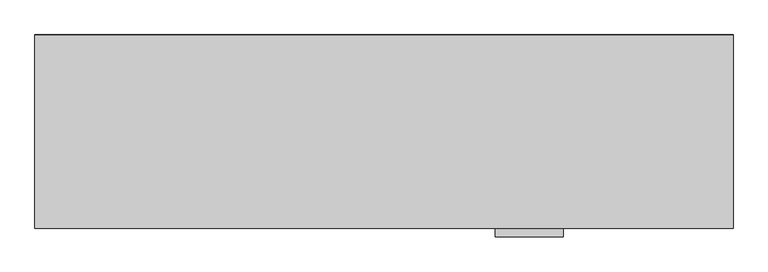
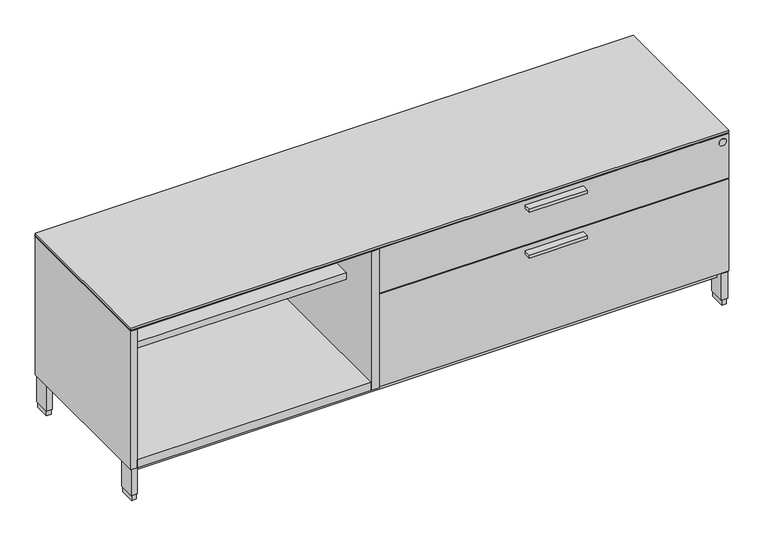
"""IFC4 building model written with IfcOpenShell, lengths in millimetres: furniture geometry."""

import ifcopenshell
import ifcopenshell.guid

model = None  # the IFC model being written
_history = None  # IfcOwnerHistory: only IFC2X3 demands one
_inside = {}  # id of a spatial element -> (the spatial element, [elements in it])
_under = {}  # id of a project, library or spatial element -> (it, [spatial elements below it])
_declared = {}  # id of a project -> (the project, [libraries it declares])
_typed = {}  # id of a type object -> (the type object, [elements of that type])
_made_of = {}  # id of a material, layer set ... -> (it, [elements and type objects made of it])


def new_model(schema):
    """Start an empty IFC model of exactly this schema.

    Asked for "IFC4X3", IfcOpenShell would pick the latest addendum, in which some entities
    have other attributes; the version numbers below select the first issue.
    IFC2X3 requires an IfcOwnerHistory on every rooted entity: one is made here for all.
    """
    global model, _history
    if schema == "IFC4X3":
        model = ifcopenshell.file(schema_version=(4, 3, 0, 0))
    else:
        model = ifcopenshell.file(schema=schema)
    _inside.clear()
    _under.clear()
    _declared.clear()
    _typed.clear()
    _made_of.clear()
    _history = None
    if model.schema == "IFC2X3":
        org = make("IfcOrganization", Name="unknown")
        user = make(
            "IfcPersonAndOrganization",
            ThePerson=make("IfcPerson", FamilyName="unknown"),
            TheOrganization=org,
        )
        app = make(
            "IfcApplication",
            ApplicationDeveloper=org,
            Version="unknown",
            ApplicationFullName="unknown",
            ApplicationIdentifier="unknown",
        )
        _history = make(
            "IfcOwnerHistory",
            OwningUser=user,
            OwningApplication=app,
            ChangeAction="ADDED",
            CreationDate=0,
        )
    return model


def make(cls, **values):
    """One entity of the class cls with the attributes given. An attribute that is None is left unset."""
    return model.create_entity(
        cls, **{name: value for name, value in values.items() if value is not None}
    )


def rooted(cls, **values):
    """An entity with a GlobalId (a new one), such as an element, a storey or a relation."""
    return make(cls, GlobalId=ifcopenshell.guid.new(), OwnerHistory=_history, **values)


def si_unit(unit_type, name, prefix=None):
    """IfcSIUnit, for example si_unit("LENGTHUNIT", "METRE", prefix="MILLI")."""
    return make("IfcSIUnit", UnitType=unit_type, Prefix=prefix, Name=name)


def assignment(units):
    """IfcUnitAssignment: the units of a project."""
    return None if units is None else make("IfcUnitAssignment", Units=units)


def point(xyz):
    """IfcCartesianPoint."""
    return None if xyz is None else make("IfcCartesianPoint", Coordinates=xyz)


def direction(xyz):
    """IfcDirection."""
    return None if xyz is None else make("IfcDirection", DirectionRatios=xyz)


def frame(location, z_axis=None, x_axis=None):
    """IfcAxis2Placement3D, a coordinate frame: its origin and axes. An axis left out is left unset."""
    return make(
        "IfcAxis2Placement3D",
        Location=point(location),
        Axis=direction(z_axis),
        RefDirection=direction(x_axis),
    )


def frame_2d(location, x_axis=None):
    """IfcAxis2Placement2D, a coordinate frame in the plane: its origin and x axis."""
    return make(
        "IfcAxis2Placement2D", Location=point(location), RefDirection=direction(x_axis)
    )


def origin():
    """The frame at (0, 0, 0) with its axes left unset."""
    return frame((0.0, 0.0, 0.0))


def origin_with_axes():
    """The frame at (0, 0, 0) with the z axis (0, 0, 1) and the x axis (1, 0, 0) written out."""
    return frame((0.0, 0.0, 0.0), z_axis=(0.0, 0.0, 1.0), x_axis=(1.0, 0.0, 0.0))


def place(relative_to, where):
    """IfcLocalPlacement: puts the frame where relative to a parent placement (None: the world)."""
    return make(
        "IfcLocalPlacement", PlacementRelTo=relative_to, RelativePlacement=where
    )


def context(
    kind, dimensions, precision=None, world=None, true_north=None, identifier=None
):
    """IfcGeometricRepresentationContext, for example the 3D "Model" context."""
    return make(
        "IfcGeometricRepresentationContext",
        ContextIdentifier=identifier,
        ContextType=kind,
        CoordinateSpaceDimension=dimensions,
        Precision=precision,
        WorldCoordinateSystem=world,
        TrueNorth=true_north,
    )


def project(units=None, contexts=None):
    """IfcProject with its units and contexts."""
    return rooted(
        "IfcProject",
        Name="project",
        RepresentationContexts=contexts,
        UnitsInContext=assignment(units),
    )


def spatial(cls, under=None, at=None, **own):
    """A site, building, storey or space (cls), placed at a placement, below another one or the project."""
    s = rooted(cls, ObjectPlacement=at, **own)
    if under is not None:
        _under.setdefault(under.id(), (under, []))[1].append(s)
    return s


def polyline(points):
    """IfcPolyline through the points."""
    return make("IfcPolyline", Points=[point(p) for p in points])


def circle_curve(where, radius):
    """IfcCircle in the frame where."""
    return make("IfcCircle", Position=where, Radius=radius)


def trimmed(basis, trim1, trim2, sense, master):
    """IfcTrimmedCurve: the piece of a basis curve between two trims."""
    return make(
        "IfcTrimmedCurve",
        BasisCurve=basis,
        Trim1=trim1,
        Trim2=trim2,
        SenseAgreement=sense,
        MasterRepresentation=master,
    )


def segment(curve, same_sense, transition):
    """IfcCompositeCurveSegment."""
    return make(
        "IfcCompositeCurveSegment",
        Transition=transition,
        SameSense=same_sense,
        ParentCurve=curve,
    )


def composite_curve(segments, self_intersect=None):
    """IfcCompositeCurve: segments joined end to end."""
    return make("IfcCompositeCurve", Segments=segments, SelfIntersect=self_intersect)


def outline(outer, holes=None, kind="AREA"):
    """IfcArbitraryClosedProfileDef: a profile drawn as a closed curve; with holes, ...WithVoids."""
    if holes is None:
        return make("IfcArbitraryClosedProfileDef", ProfileType=kind, OuterCurve=outer)
    return make(
        "IfcArbitraryProfileDefWithVoids",
        ProfileType=kind,
        OuterCurve=outer,
        InnerCurves=holes,
    )


def extrude(swept, where, along, depth):
    """IfcExtrudedAreaSolid: the profile swept, set in the frame where, extruded along a direction by depth."""
    return make(
        "IfcExtrudedAreaSolid",
        SweptArea=swept,
        Position=where,
        ExtrudedDirection=direction(along),
        Depth=depth,
    )


def shape(context_of_items, identifier, shape_type, items):
    """IfcShapeRepresentation: the items that make up one representation, for example the "Body"."""
    return make(
        "IfcShapeRepresentation",
        ContextOfItems=context_of_items,
        RepresentationIdentifier=identifier,
        RepresentationType=shape_type,
        Items=items,
    )


def source(mapping_origin, context_of_items, identifier, shape_type, items):
    """IfcRepresentationMap: a shape defined once, which mapped items show again and again."""
    return make(
        "IfcRepresentationMap",
        MappingOrigin=mapping_origin,
        MappedRepresentation=shape(context_of_items, identifier, shape_type, items),
    )


def transform(
    local_origin,
    x_axis=None,
    y_axis=None,
    z_axis=None,
    scale=None,
    scale2=None,
    scale3=None,
    uniform=True,
):
    """IfcCartesianTransformationOperator3D, or its non-uniform kind. x_axis, y_axis, z_axis: its Axis1, 2, 3."""
    if uniform:
        return make(
            "IfcCartesianTransformationOperator3D",
            Axis1=direction(x_axis),
            Axis2=direction(y_axis),
            LocalOrigin=point(local_origin),
            Scale=scale,
            Axis3=direction(z_axis),
        )
    return make(
        "IfcCartesianTransformationOperator3DnonUniform",
        Axis1=direction(x_axis),
        Axis2=direction(y_axis),
        LocalOrigin=point(local_origin),
        Scale=scale,
        Axis3=direction(z_axis),
        Scale2=scale2,
        Scale3=scale3,
    )


def mapped(mapping_source, mapping_target):
    """IfcMappedItem: shows the shape of a source again, moved by a transform."""
    return make(
        "IfcMappedItem", MappingSource=mapping_source, MappingTarget=mapping_target
    )


def made_of(thing, what):
    """Note that an element or type object is made of a material, layer set ...; save() writes the relation."""
    if what is not None:
        _made_of.setdefault(what.id(), (what, []))[1].append(thing)
    return thing


def element(
    cls,
    number,
    at=None,
    inside=None,
    cuts=None,
    type_object=None,
    material=None,
    context=None,
    identifier="Body",
    shape_type=None,
    held_by="IfcProductDefinitionShape",
    body=None,
    shapes=None,
    **own,
):
    """One element of the class cls, such as IfcWall. Its Tag is "e" and its number.

    at: its placement. inside: the storey or other place that contains it. cuts: it is an
    opening in that element (IfcRelVoidsElement). A single representation is given by context,
    identifier, shape_type and body (its items); several are given by shapes. held_by: the class
    of the entity that holds the representations. save() writes the other relations.
    """
    e = rooted(cls, Tag="e%d" % number, ObjectPlacement=at, **own)
    if body is not None:
        shapes = [shape(context, identifier, shape_type, body)]
    if shapes is not None:
        e.Representation = make(held_by, Representations=shapes)
    if inside is not None:
        _inside.setdefault(inside.id(), (inside, []))[1].append(e)
    if cuts is not None:
        rooted(
            "IfcRelVoidsElement", RelatingBuildingElement=cuts, RelatedOpeningElement=e
        )
    if type_object is not None:
        _typed.setdefault(type_object.id(), (type_object, []))[1].append(e)
    return made_of(e, material)


def aggregate(whole, parts):
    """IfcRelAggregates: a whole, such as a stair, and the parts it consists of."""
    return rooted("IfcRelAggregates", RelatingObject=whole, RelatedObjects=parts)


def save(model, path):
    """Write the relations noted so far, then the file.

    IfcRelAggregates (storeys below a building ...), IfcRelContainedInSpatialStructure (elements
    in a storey), IfcRelDefinesByType, IfcRelAssociatesMaterial and IfcRelDeclares: one each for
    every whole, place, type object, material and project.
    """
    for whole, parts in _under.values():
        aggregate(whole, parts)
    for where, things in _inside.values():
        rooted(
            "IfcRelContainedInSpatialStructure",
            RelatedElements=things,
            RelatingStructure=where,
        )
    for kind, things in _typed.values():
        rooted("IfcRelDefinesByType", RelatedObjects=things, RelatingType=kind)
    for what, things in _made_of.values():
        rooted("IfcRelAssociatesMaterial", RelatedObjects=things, RelatingMaterial=what)
    for by, libraries in _declared.values():
        rooted("IfcRelDeclares", RelatingContext=by, RelatedDefinitions=libraries)
    model.write(path)


def furniture_6cab6671(model_context):
    return source(origin(), model_context, "Body", "SweptSolid", [
        extrude(outline(polyline([(1382.7125, -528.574), (1204.9125, -528.574), (1204.9125, -506.349), (1382.7125, -506.349), (1382.7125, -528.574)])), frame((0.0, 0.0, 378.83846), z_axis=(0.0, 0.0, 1.0), x_axis=(1.0, 0.0, 0.0)), (0.0, 0.0, 1.0), 9.525),
        extrude(outline(polyline([(1382.7125, -528.574), (1204.9125, -528.574), (1204.9125, -506.349), (1382.7125, -506.349), (1382.7125, -528.574)])), frame((0.0, 0.0, 526.28546), z_axis=(0.0, 0.0, 1.0), x_axis=(1.0, 0.0, 0.0)), (0.0, 0.0, 1.0), 9.525),
        extrude(outline(polyline([(21.0185, -20.828), (735.0125, -20.828), (735.0125, -375.8184), (21.0185, -375.8184), (21.0185, -20.828)])), frame((0.0, 0.0, 383.0828), z_axis=(0.0, 0.0, 1.0), x_axis=(1.0, 0.0, 0.0)), (0.0, 0.0, 1.0), 20.3454),
        extrude(outline(polyline([(21.0185, -20.828), (735.0125, -20.828), (735.0125, -506.349), (21.0185, -506.349), (21.0185, -20.828)])), frame((0.0, 0.0, 103.2002), z_axis=(0.0, 0.0, 1.0), x_axis=(1.0, 0.0, 0.0)), (0.0, 0.0, 1.0), 25.4),
        extrude(outline(polyline([(1.5875, 0.0), (1827.2125, 0.0), (1827.2125, -487.172), (760.4125, -487.172), (760.4125, -506.349), (1.5875, -506.349), (1.5875, 0.0)])), frame((0.0, 0.0, 550.8752), z_axis=(0.0, 0.0, 1.0), x_axis=(1.0, 0.0, 0.0)), (0.0, 0.0, 1.0), 1.5875),
        extrude(outline(polyline([(735.0125, -20.828), (760.4125, -20.828), (760.4125, -506.349), (735.0125, -506.349), (735.0125, -20.828)])), frame((0.0, 0.0, 103.2002), z_axis=(0.0, 0.0, 1.0), x_axis=(1.0, 0.0, 0.0)), (0.0, 0.0, 1.0), 447.675),
        extrude(outline(polyline([(21.2979, -5.715), (21.2979, -52.197), (6.5659, -52.197), (6.5659, -5.715), (21.2979, -5.715)])), origin_with_axes(), (0.0, 0.0, 1.0), 17.399),
        extrude(outline(polyline([(21.2979, -455.676), (21.2979, -502.158), (6.5659, -502.158), (6.5659, -455.676), (21.2979, -455.676)])), origin_with_axes(), (0.0, 0.0, 1.0), 17.399),
        extrude(outline(polyline([(1822.2341, -455.676), (1822.2341, -502.158), (1807.5021, -502.158), (1807.5021, -455.676), (1822.2341, -455.676)])), origin_with_axes(), (0.0, 0.0, 1.0), 17.399),
        extrude(outline(polyline([(1822.2341, -5.715), (1822.2341, -52.197), (1807.5021, -52.197), (1807.5021, -5.715), (1822.2341, -5.715)])), origin_with_axes(), (0.0, 0.0, 1.0), 17.399),
        extrude(outline(polyline([(23.4569, -3.556), (23.4569, -54.356), (4.4069, -54.356), (4.4069, -3.556), (23.4569, -3.556)])), frame((0.0, 0.0, 17.399), z_axis=(0.0, 0.0, 1.0), x_axis=(1.0, 0.0, 0.0)), (0.0, 0.0, 1.0), 85.8012),
        extrude(outline(polyline([(1824.3931, -3.556), (1824.3931, -54.356), (1805.3431, -54.356), (1805.3431, -3.556), (1824.3931, -3.556)])), frame((0.0, 0.0, 17.399), z_axis=(0.0, 0.0, 1.0), x_axis=(1.0, 0.0, 0.0)), (0.0, 0.0, 1.0), 85.8012),
        extrude(outline(polyline([(1824.3931, -453.517), (1824.3931, -504.317), (1805.3431, -504.317), (1805.3431, -453.517), (1824.3931, -453.517)])), frame((0.0, 0.0, 17.399), z_axis=(0.0, 0.0, 1.0), x_axis=(1.0, 0.0, 0.0)), (0.0, 0.0, 1.0), 85.8012),
        extrude(outline(polyline([(23.4569, -453.517), (23.4569, -504.317), (4.4069, -504.317), (4.4069, -453.517), (23.4569, -453.517)])), frame((0.0, 0.0, 17.399), z_axis=(0.0, 0.0, 1.0), x_axis=(1.0, 0.0, 0.0)), (0.0, 0.0, 1.0), 85.8012),
        extrude(outline(polyline([(1805.3431, -26.99766), (1805.3431, -480.87534), (23.4569, -480.87534), (23.4569, -26.99766), (1805.3431, -26.99766)])), frame((0.0, 0.0, 77.8002), z_axis=(0.0, 0.0, 1.0), x_axis=(1.0, 0.0, 0.0)), (0.0, 0.0, 1.0), 25.4),
        extrude(outline(polyline([(1827.2125, -487.172), (1827.2125, -506.349), (760.4125, -506.349), (760.4125, -487.172), (1827.2125, -487.172)])), frame((0.0, 0.0, 106.3752), z_axis=(0.0, 0.0, 1.0), x_axis=(1.0, 0.0, 0.0)), (0.0, 0.0, 1.0), 297.053),
        extrude(outline(polyline([(1827.2125, -487.172), (1827.2125, -506.349), (760.4125, -506.349), (760.4125, -487.172), (1827.2125, -487.172)])), frame((0.0, 0.0, 406.6032), z_axis=(0.0, 0.0, 1.0), x_axis=(1.0, 0.0, 0.0)), (0.0, 0.0, 1.0), 144.272),
        extrude(outline(composite_curve([segment(trimmed(circle_curve(frame_2d((528.3708, 1808.1625)), 11.176), [point((528.3708, 1819.3385))], [point((528.3708, 1796.9865))], False, "CARTESIAN"), True, "CONTINUOUS"), segment(trimmed(circle_curve(frame_2d((528.3708, 1808.1625)), 11.176), [point((528.3708, 1796.9865))], [point((528.3708, 1819.3385))], False, "CARTESIAN"), True, "CONTINUOUS")], self_intersect=False)), frame((0.0, -506.9614948, 0.0), z_axis=(0.0, 1.0, 0.0), x_axis=(0.0, 0.0, 1.0)), (0.0, 0.0, 1.0), 5.0524148),
        extrude(outline(polyline([(1827.2125, -506.349), (1.5875, -506.349), (1.5875, -1.524), (1827.2125, -1.524), (1827.2125, -506.349)])), frame((0.0, 0.0, 554.0502), z_axis=(0.0, 0.0, 1.0), x_axis=(1.0, 0.0, 0.0)), (0.0, 0.0, 1.0), 6.35),
        extrude(outline(polyline([(1.5875, -1.524), (1827.2125, -1.524), (1827.2125, -483.2858), (1807.7815, -483.2858), (1807.7815, -20.828), (21.0185, -20.828), (21.0185, -506.349), (1.5875, -506.349), (1.5875, -1.524)])), frame((0.0, 0.0, 103.2002), z_axis=(0.0, 0.0, 1.0), x_axis=(1.0, 0.0, 0.0)), (0.0, 0.0, 1.0), 447.675),
    ])


if __name__ == "__main__":
    model = new_model("IFC4")
    model_context = context("Model", 3, world=origin())
    ifc_project = project(units=[si_unit("LENGTHUNIT", "METRE", prefix="MILLI")], contexts=[model_context])
    site = spatial("IfcSite", under=ifc_project)
    building = spatial("IfcBuilding", under=site)
    placement = place(None, origin())
    furniture_shape = furniture_6cab6671(model_context)
    element("IfcFurniture", 1, at=placement, inside=building, context=model_context, shape_type="MappedRepresentation", body=[
        mapped(furniture_shape, transform((0.0, 0.0, 0.0), x_axis=(1.0, 0.0, 0.0), y_axis=(0.0, 1.0, 0.0), z_axis=(0.0, 0.0, 1.0))),
    ])
    save(model, "model.ifc")
